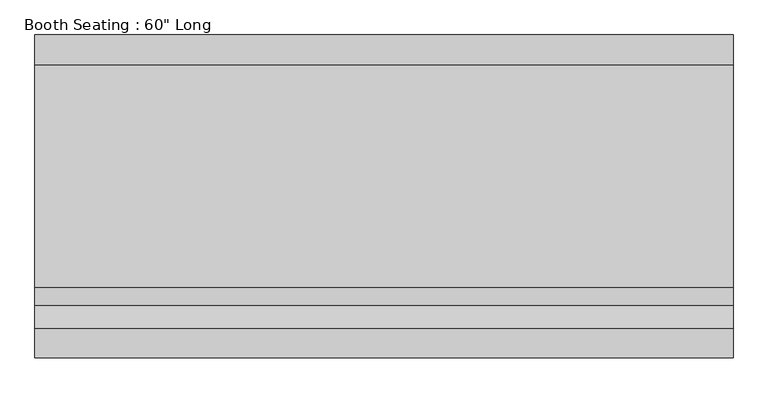
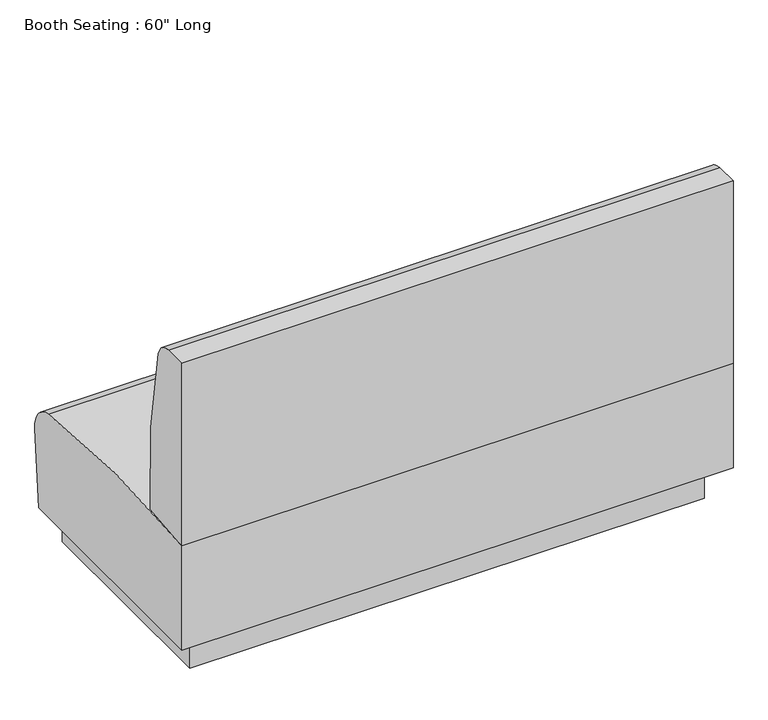
"""IFC4 building model written with IfcOpenShell, lengths in millimetres: furniture geometry."""

from ifc_helpers import new_model, si_unit, point, frame, frame_2d, origin, origin_with_axes, place, context, project, spatial, polyline, circle_curve, trimmed, segment, composite_curve, outline, extrude, source, transform, mapped, element, save


def furniture_6b6d83da(model_context):
    return source(origin(), model_context, "Body", "SweptSolid", [
        extrude(outline(composite_curve([segment(polyline([(-355.6, 939.8), (-292.2747753, 939.8)]), True, "CONTINUOUS"), segment(trimmed(circle_curve(frame_2d((-292.2747753, 889.0)), 50.8), [point((-292.2747753, 939.8))], [point((-242.7504703, 900.3129667))], False, "CARTESIAN"), True, "CONTINUOUS"), segment(trimmed(circle_curve(frame_2d((-1896.6191414, 522.5154157)), 1696.4706218), [point((-242.7504703, 900.3129667))], [point((-203.2, 420.809063))], False, "CARTESIAN"), True, "CONTINUOUS"), segment(polyline([(-203.2, 420.809063), (-355.6, 406.4), (-355.6, 939.8)]), True, "CONTINUOUS")], self_intersect=False)), frame((-762.0, 0.0, 0.0), z_axis=(1.0, 0.0, 0.0), x_axis=(0.0, 1.0, 0.0)), (0.0, 0.0, 1.0), 1524.0),
        extrude(outline(composite_curve([segment(polyline([(348.6009692, 322.4116302), (330.2, 101.6), (-355.6, 101.6), (-355.6, 406.4)]), True, "CONTINUOUS"), segment(trimmed(circle_curve(frame_2d((-44.6835428, -2068.9155338)), 2494.7657275), [point((-355.6, 406.4))], [point((282.6626275, 404.2808838))], False, "CARTESIAN"), True, "CONTINUOUS"), segment(trimmed(circle_curve(frame_2d((272.6641824, 328.7396957)), 76.2), [point((282.6626275, 404.2808838))], [point((348.6009692, 322.4116302))], False, "CARTESIAN"), True, "CONTINUOUS")], self_intersect=False)), frame((-762.0, 0.0, 0.0), z_axis=(1.0, 0.0, 0.0), x_axis=(0.0, 1.0, 0.0)), (0.0, 0.0, 1.0), 1524.0),
        extrude(outline(polyline([(711.2, -304.8), (-711.2, -304.8), (-711.2, 304.8), (711.2, 304.8), (711.2, -304.8)])), origin_with_axes(), (0.0, 0.0, 1.0), 101.6),
    ])


if __name__ == "__main__":
    model = new_model("IFC4")
    model_context = context("Model", 3, world=origin())
    ifc_project = project(units=[si_unit("LENGTHUNIT", "METRE", prefix="MILLI")], contexts=[model_context])
    site = spatial("IfcSite", under=ifc_project)
    building = spatial("IfcBuilding", under=site)
    placement = place(None, origin())
    furniture_shape = furniture_6b6d83da(model_context)
    element("IfcFurniture", 1, ObjectType="Booth Seating : 60\" Long", at=placement, inside=building, context=model_context, shape_type="MappedRepresentation", body=[
        mapped(furniture_shape, transform((0.0, 0.0, 0.0), x_axis=(1.0, 0.0, 0.0), y_axis=(0.0, 1.0, 0.0), z_axis=(0.0, 0.0, 1.0))),
    ])
    save(model, "model.ifc")
